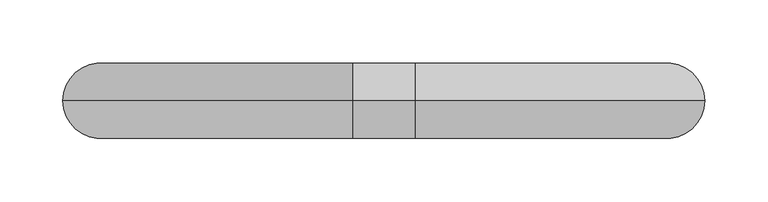
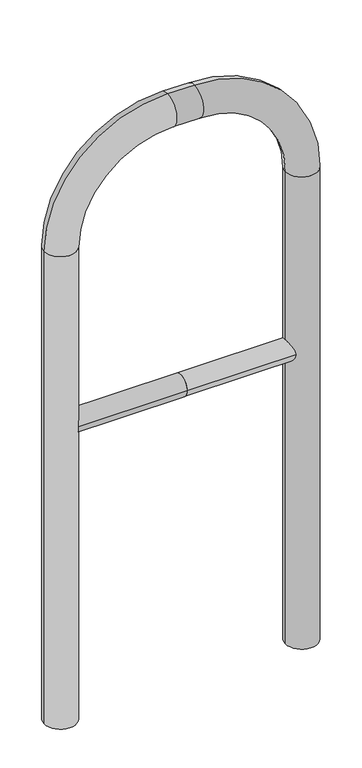
"""IFC4 building model written with IfcOpenShell, lengths in millimetres: proxy geometry."""

from ifc_helpers import new_model, si_unit, point, frame, frame_2d, origin, place, context, project, spatial, circle_curve, ellipse_curve, trimmed, segment, composite_curve, outline, extrude, source, transform, mapped, element, save
from ifc_brep_helpers import plane_surface, cylinder_surface, revolved_surface, advanced_brep


def generic_models_fef71b1d(model_context):
    return source(origin(), model_context, "Body", "SolidModel", [
        extrude(outline(composite_curve([segment(trimmed(circle_curve(frame_2d((0.0, 498.4778375)), 20.0), [point((-20.0, 498.4778375))], [point((20.0, 498.4778375))], False, "CARTESIAN"), True, "CONTINUOUS"), segment(trimmed(circle_curve(frame_2d((0.0, 498.4778375)), 20.0), [point((20.0, 498.4778375))], [point((-20.0, 498.4778375))], False, "CARTESIAN"), True, "CONTINUOUS")], self_intersect=False)), frame((-225.0, 0.0, 0.0), z_axis=(1.0, 0.0, 0.0), x_axis=(0.0, 1.0, 0.0)), (0.0, 0.0, 1.0), 225.0),
        extrude(outline(composite_curve([segment(trimmed(circle_curve(frame_2d((0.0, 498.4778375)), 20.0), [point((-20.0, 498.4778375))], [point((20.0, 498.4778375))], False, "CARTESIAN"), True, "CONTINUOUS"), segment(trimmed(circle_curve(frame_2d((0.0, 498.4778375)), 20.0), [point((20.0, 498.4778375))], [point((-20.0, 498.4778375))], False, "CARTESIAN"), True, "CONTINUOUS")], self_intersect=False)), frame((0.0, 0.0, 0.0), z_axis=(1.0, 0.0, 0.0), x_axis=(0.0, 1.0, 0.0)), (0.0, 0.0, 1.0), 225.0),
        advanced_brep(
        [(-195.0, 0.0, -80.0), (-255.0, 0.0, -80.0), (-195.0, 0.0, 850.0), (-255.0, 0.0, 850.0), (-25.0, 0.0, 1080.0), (-25.0, 0.0, 1020.0), (25.0, 0.0, 1020.0), (25.0, 0.0, 1080.0), (255.0, 0.0, 850.0), (195.0, 0.0, 850.0), (195.0, 0.0, -80.0), (255.0, 0.0, -80.0)],
        [
            (0, 1, circle_curve(frame((-225.0, 0.0, -80.0), z_axis=(0.0, 0.0, -1.0), x_axis=(-1.0, 0.0, 0.0)), 30.0)),
            (1, 0, circle_curve(frame((-225.0, 0.0, -80.0), z_axis=(0.0, 0.0, -1.0), x_axis=(-1.0, 0.0, 0.0)), 30.0)),
            (0, 2),
            (2, 3, circle_curve(frame((-225.0, 0.0, 850.0), z_axis=(0.0, 0.0, -1.0), x_axis=(-1.0, 0.0, 0.0)), 30.0)),
            (3, 1),
            (3, 2, circle_curve(frame((-225.0, 0.0, 850.0), z_axis=(0.0, 0.0, -1.0), x_axis=(-1.0, 0.0, 0.0)), 30.0)),
            (4, 3, circle_curve(frame((-25.0, 0.0, 850.0), z_axis=(0.0, -1.0, 0.0), x_axis=(-1.0, 0.0, 0.0)), 230.0)),
            (2, 5, circle_curve(frame((-25.0, 0.0, 850.0), z_axis=(0.0, 1.0, 0.0), x_axis=(-1.0, 0.0, 0.0)), 170.0)),
            (5, 4, circle_curve(frame((-25.0, 0.0, 1050.0), z_axis=(-1.0, 0.0, 0.0), x_axis=(0.0, 0.0, 1.0)), 30.0)),
            (4, 5, circle_curve(frame((-25.0, 0.0, 1050.0), z_axis=(-1.0, 0.0, 0.0), x_axis=(0.0, 0.0, 1.0)), 30.0)),
            (5, 6),
            (6, 7, circle_curve(frame((25.0, 0.0, 1050.0), z_axis=(-1.0, 0.0, 0.0), x_axis=(0.0, 0.0, 1.0)), 30.0)),
            (7, 4),
            (7, 6, circle_curve(frame((25.0, 0.0, 1050.0), z_axis=(-1.0, 0.0, 0.0), x_axis=(0.0, 0.0, 1.0)), 30.0)),
            (8, 7, circle_curve(frame((25.0, 0.0, 850.0), z_axis=(0.0, -1.0, 0.0), x_axis=(0.0, 0.0, 1.0)), 230.0)),
            (6, 9, circle_curve(frame((25.0, 0.0, 850.0), z_axis=(0.0, 1.0, 0.0), x_axis=(0.0, 0.0, 1.0)), 170.0)),
            (9, 8, circle_curve(frame((225.0, 0.0, 850.0), z_axis=(0.0, 0.0, 1.0), x_axis=(1.0, 0.0, 0.0)), 30.0)),
            (8, 9, circle_curve(frame((225.0, 0.0, 850.0), z_axis=(0.0, 0.0, 1.0), x_axis=(1.0, 0.0, 0.0)), 30.0)),
            (10, 11, circle_curve(frame((225.0, 0.0, -80.0), z_axis=(0.0, 0.0, -1.0), x_axis=(1.0, 0.0, 0.0)), 30.0)),
            (11, 10, circle_curve(frame((225.0, 0.0, -80.0), z_axis=(0.0, 0.0, -1.0), x_axis=(1.0, 0.0, 0.0)), 30.0)),
            (9, 10),
            (11, 8),
        ],
        [
            plane_surface(frame((-225.0, 0.0, -80.0), z_axis=(0.0, 0.0, -1.0), x_axis=(0.0, -1.0, 0.0))),
            cylinder_surface(frame((-225.0, 0.0, -80.0), z_axis=(0.0, 0.0, -1.0), x_axis=(-1.0, 0.0, 0.0)), 30.0),
            revolved_surface(trimmed(ellipse_curve(frame((-225.0, 0.0, 850.0), z_axis=(0.0, 0.0, -1.0), x_axis=(-1.0, 0.0, 0.0)), 30.0, 30.0), [point((-195.0, 0.0, 850.0))], [point((-255.0, 0.0, 850.0))], True, "CARTESIAN"), (-25.0, 0.0, 850.0), (0.0, 1.0, 0.0)),
            revolved_surface(trimmed(ellipse_curve(frame((-225.0, 0.0, 850.0), z_axis=(0.0, 0.0, -1.0), x_axis=(-1.0, 0.0, 0.0)), 30.0, 30.0), [point((-255.0, 0.0, 850.0))], [point((-195.0, 0.0, 850.0))], True, "CARTESIAN"), (-25.0, 0.0, 850.0), (0.0, 1.0, 0.0)),
            cylinder_surface(frame((-25.0, 0.0, 1050.0), z_axis=(-1.0, 0.0, 0.0), x_axis=(0.0, 0.0, 1.0)), 30.0),
            revolved_surface(trimmed(ellipse_curve(frame((25.0, 0.0, 1050.0), z_axis=(-1.0, 0.0, 0.0), x_axis=(0.0, 0.0, 1.0)), 30.0, 30.0), [point((25.0, 0.0, 1020.0))], [point((25.0, 0.0, 1080.0))], True, "CARTESIAN"), (25.0, 0.0, 850.0), (0.0, 1.0, 0.0)),
            revolved_surface(trimmed(ellipse_curve(frame((25.0, 0.0, 1050.0), z_axis=(-1.0, 0.0, 0.0), x_axis=(0.0, 0.0, 1.0)), 30.0, 30.0), [point((25.0, 0.0, 1080.0))], [point((25.0, 0.0, 1020.0))], True, "CARTESIAN"), (25.0, 0.0, 850.0), (0.0, 1.0, 0.0)),
            plane_surface(frame((225.0, 0.0, -80.0), z_axis=(0.0, 0.0, -1.0), x_axis=(0.0, -1.0, 0.0))),
            cylinder_surface(frame((225.0, 0.0, 850.0), z_axis=(0.0, 0.0, 1.0), x_axis=(1.0, 0.0, 0.0)), 30.0),
        ],
        [
            (0, [[1, 2]]),
            (1, [[-1, 3, 4, 5]]),
            (1, [[-2, -5, 6, -3]]),
            (2, [[7, -4, 8, 9]]),
            (3, [[-8, -6, -7, 10]]),
            (4, [[-9, 11, 12, 13]]),
            (4, [[-10, -13, 14, -11]]),
            (5, [[15, -12, 16, 17]]),
            (6, [[-16, -14, -15, 18]]),
            (7, [[19, 20]]),
            (8, [[-17, 21, -20, 22]]),
            (8, [[-18, -22, -19, -21]]),
        ],
    ),
    ])


if __name__ == "__main__":
    model = new_model("IFC4")
    model_context = context("Model", 3, world=origin())
    ifc_project = project(units=[si_unit("LENGTHUNIT", "METRE", prefix="MILLI")], contexts=[model_context])
    site = spatial("IfcSite", under=ifc_project)
    building = spatial("IfcBuilding", under=site)
    placement = place(None, origin())
    generic_models_shape = generic_models_fef71b1d(model_context)
    element("IfcBuildingElementProxy", 1, Name="Generic Models", at=placement, inside=building, context=model_context, shape_type="MappedRepresentation", body=[
        mapped(generic_models_shape, transform((0.0, 0.0, 0.0), x_axis=(1.0, 0.0, 0.0), y_axis=(0.0, 1.0, 0.0), z_axis=(0.0, 0.0, 1.0))),
    ])
    save(model, "model.ifc")
